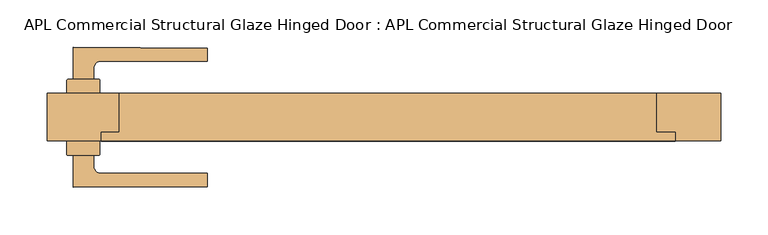
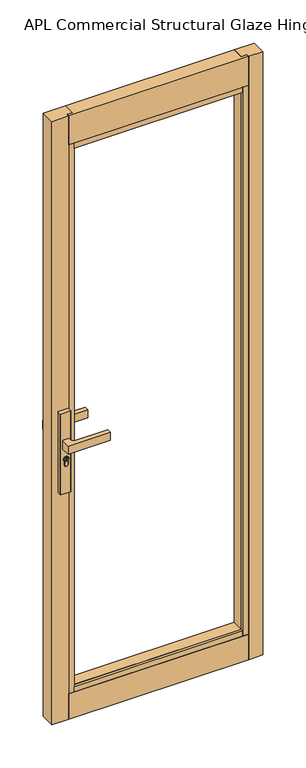
"""IFC4 building model written with IfcOpenShell, lengths in millimetres: door geometry, APL Commercial Structural Glaze Hinged Door : APL Commercial Structural Glaze Hinged Door."""

from ifc_helpers import new_model, si_unit, point, frame, frame_2d, origin, origin_with_axes, place, context, project, spatial, polyline, circle_curve, trimmed, segment, composite_curve, outline, extrude, faceted_brep, source, transform, mapped, element, save


def apl_commercial_structural_glaze_hinged_door_apl_commercial_916ca736(model_context):
    return source(origin(), model_context, "Body", "SolidModel", [
        extrude(outline(composite_curve([segment(trimmed(circle_curve(frame_2d((945.687184, -321.6515401)), 5.9005564), [point((945.687184, -315.7509837))], [point((945.687184, -327.5520965))], False, "CARTESIAN"), True, "CONTINUOUS"), segment(trimmed(circle_curve(frame_2d((945.687184, -321.6515401)), 5.9005564), [point((945.687184, -327.5520965))], [point((945.687184, -315.7509837))], False, "CARTESIAN"), True, "CONTINUOUS")], self_intersect=False), holes=[polyline([(949.7292167, -322.7156114), (949.7292167, -320.667672), (948.9292167, -320.667672), (948.3483344, -321.7156114), (947.1634303, -321.7156114), (946.3431864, -320.8953676), (944.6002002, -320.8953676), (944.0258593, -321.7156114), (941.7685105, -321.7156114), (941.7685105, -322.7156114), (944.5464263, -322.7156114), (945.1207673, -321.8953676), (945.9289729, -321.8953676), (946.7492167, -322.7156114), (949.7292167, -322.7156114)])]), frame((0.0, 51.3500753, 0.0), z_axis=(0.0, 1.0, 0.0), x_axis=(0.0, 0.0, 1.0)), (0.0, 0.0, 1.0), 4.423715),
        extrude(outline(composite_curve([segment(trimmed(circle_curve(frame_2d((-338.3000588, 50.1000748)), 1.0), [point((-339.3000588, 50.1000748))], [point((-338.3000588, 51.1000748))], False, "CARTESIAN"), True, "CONTINUOUS"), segment(polyline([(-338.3000588, 51.1000748), (-305.300059, 51.1000748)]), True, "CONTINUOUS"), segment(trimmed(circle_curve(frame_2d((-305.300059, 50.1000748)), 1.0), [point((-305.300059, 51.1000748))], [point((-304.300059, 50.1000748))], False, "CARTESIAN"), True, "CONTINUOUS"), segment(polyline([(-304.300059, 50.1000748), (-304.300059, 36.1000751), (-339.3000588, 36.1000751), (-339.3000588, 50.1000748)]), True, "CONTINUOUS")], self_intersect=False)), frame((0.0, 0.0, 822.4734334), z_axis=(0.0, 0.0, 1.0), x_axis=(1.0, 0.0, 0.0)), (0.0, 0.0, 1.0), 287.6450734),
        extrude(outline(composite_curve([segment(polyline([(-339.3000588, -27.8999345), (-339.3000588, -13.8999349), (-304.300059, -13.8999349), (-304.300059, -27.8999345)]), True, "CONTINUOUS"), segment(trimmed(circle_curve(frame_2d((-305.300059, -27.8999345)), 1.0), [point((-304.300059, -27.8999345))], [point((-305.300059, -28.8999345))], False, "CARTESIAN"), True, "CONTINUOUS"), segment(polyline([(-305.300059, -28.8999345), (-338.3000588, -28.8999345)]), True, "CONTINUOUS"), segment(trimmed(circle_curve(frame_2d((-338.3000588, -27.8999345)), 1.0), [point((-338.3000588, -28.8999345))], [point((-339.3000588, -27.8999345))], False, "CARTESIAN"), True, "CONTINUOUS")], self_intersect=False)), frame((0.0, 0.0, 822.4734334), z_axis=(0.0, 0.0, 1.0), x_axis=(1.0, 0.0, 0.0)), (0.0, 0.0, 1.0), 287.6450734),
        extrude(outline(composite_curve([segment(trimmed(circle_curve(frame_2d((945.687184, -321.6515401)), 8.4005564), [point((939.648662, -315.8115401))], [point((939.2521745, -327.0515401))], False, "CARTESIAN"), True, "CONTINUOUS"), segment(polyline([(939.2521745, -327.0515401), (926.2077404, -327.0515401)]), True, "CONTINUOUS"), segment(trimmed(circle_curve(frame_2d((926.2077404, -321.4315401)), 5.62), [point((926.2077404, -327.0515401))], [point((926.2077404, -315.8115401))], False, "CARTESIAN"), True, "CONTINUOUS"), segment(polyline([(926.2077404, -315.8115401), (939.648662, -315.8115401)]), True, "CONTINUOUS")], self_intersect=False), holes=[composite_curve([segment(trimmed(circle_curve(frame_2d((945.687184, -321.6515401)), 6.4005564), [point((945.687184, -315.2509837))], [point((945.687184, -328.0520965))], True, "CARTESIAN"), True, "CONTINUOUS"), segment(trimmed(circle_curve(frame_2d((945.687184, -321.6515401)), 6.4005564), [point((945.687184, -328.0520965))], [point((945.687184, -315.2509837))], True, "CARTESIAN"), True, "CONTINUOUS")], self_intersect=False)]), frame((0.0, 51.3500753, 0.0), z_axis=(0.0, 1.0, 0.0), x_axis=(0.0, 0.0, 1.0)), (0.0, 0.0, 1.0), 3.0593403),
        extrude(outline(composite_curve([segment(trimmed(circle_curve(frame_2d((945.687184, -321.6515401)), 6.4005564), [point((945.687184, -328.0520965))], [point((945.687184, -315.2509837))], False, "CARTESIAN"), True, "CONTINUOUS"), segment(trimmed(circle_curve(frame_2d((945.687184, -321.6515401)), 6.4005564), [point((945.687184, -315.2509837))], [point((945.687184, -328.0520965))], False, "CARTESIAN"), True, "CONTINUOUS")], self_intersect=False), holes=[composite_curve([segment(trimmed(circle_curve(frame_2d((945.687184, -321.6515401)), 5.9005564), [point((945.687184, -327.5520965))], [point((945.687184, -315.7509837))], True, "CARTESIAN"), True, "CONTINUOUS"), segment(trimmed(circle_curve(frame_2d((945.687184, -321.6515401)), 5.9005564), [point((945.687184, -315.7509837))], [point((945.687184, -327.5520965))], True, "CARTESIAN"), True, "CONTINUOUS")], self_intersect=False)]), frame((0.0, 51.3500753, 0.0), z_axis=(0.0, 1.0, 0.0), x_axis=(0.0, 0.0, 1.0)), (0.0, 0.0, 1.0), 3.0593403),
        extrude(outline(composite_curve([segment(polyline([(939.1595834, -327.2515401), (926.2077404, -327.2515401)]), True, "CONTINUOUS"), segment(trimmed(circle_curve(frame_2d((926.2077404, -321.4315401)), 5.82), [point((926.2077404, -327.2515401))], [point((926.2077404, -315.6115401))], False, "CARTESIAN"), True, "CONTINUOUS"), segment(polyline([(926.2077404, -315.6115401), (939.564442, -315.6115401)]), True, "CONTINUOUS"), segment(trimmed(circle_curve(frame_2d((945.687184, -321.6515401)), 8.6005564), [point((939.564442, -315.6115401))], [point((939.1595834, -327.2515401))], False, "CARTESIAN"), True, "CONTINUOUS")], self_intersect=False), holes=[composite_curve([segment(polyline([(926.2077404, -327.0515401), (939.2521745, -327.0515401)]), True, "CONTINUOUS"), segment(trimmed(circle_curve(frame_2d((945.687184, -321.6515401)), 8.4005564), [point((939.2521745, -327.0515401))], [point((939.648662, -315.8115401))], True, "CARTESIAN"), True, "CONTINUOUS"), segment(polyline([(939.648662, -315.8115401), (926.2077404, -315.8115401)]), True, "CONTINUOUS"), segment(trimmed(circle_curve(frame_2d((926.2077404, -321.4315401)), 5.62), [point((926.2077404, -315.8115401))], [point((926.2077404, -327.0515401))], True, "CARTESIAN"), True, "CONTINUOUS")], self_intersect=False)]), frame((0.0, 51.3500753, 0.0), z_axis=(0.0, 1.0, 0.0), x_axis=(0.0, 0.0, 1.0)), (0.0, 0.0, 1.0), 3.0593403),
        extrude(outline(composite_curve([segment(trimmed(circle_curve(frame_2d((-265.8000586, -851.6499249)), 939.0), [point((-332.8000589, 84.9567161))], [point((-190.8000536, 84.3500747))], False, "CARTESIAN"), True, "CONTINUOUS"), segment(polyline([(-190.8000536, 84.3500747), (-190.8000536, 70.3500738), (-303.2955242, 70.3500738)]), True, "CONTINUOUS"), segment(trimmed(circle_curve(frame_2d((-303.3000589, 62.8500751)), 7.5), [point((-303.2955242, 70.3500738))], [point((-310.8000589, 62.8500751))], True, "CARTESIAN"), True, "CONTINUOUS"), segment(polyline([(-310.8000589, 62.8500751), (-310.8000589, 51.3500753), (-332.8000589, 51.3500753), (-332.8000589, 84.9567161)]), True, "CONTINUOUS")], self_intersect=False)), frame((0.0, 0.0, 985.1796291), z_axis=(0.0, 0.0, 1.0), x_axis=(1.0, 0.0, 0.0)), (0.0, 0.0, 1.0), 29.6407418),
        extrude(outline(composite_curve([segment(trimmed(circle_curve(frame_2d((945.687184, -321.6515401)), 5.9005564), [point((945.687184, -315.7509837))], [point((945.687184, -327.5520965))], False, "CARTESIAN"), True, "CONTINUOUS"), segment(trimmed(circle_curve(frame_2d((945.687184, -321.6515401)), 5.9005564), [point((945.687184, -327.5520965))], [point((945.687184, -315.7509837))], False, "CARTESIAN"), True, "CONTINUOUS")], self_intersect=False), holes=[polyline([(949.7292167, -322.7156114), (949.7292167, -320.667672), (948.9292167, -320.667672), (948.3483344, -321.7156114), (947.1634303, -321.7156114), (946.3431864, -320.8953676), (944.6002002, -320.8953676), (944.0258593, -321.7156114), (941.7685105, -321.7156114), (941.7685105, -322.7156114), (944.5464263, -322.7156114), (945.1207673, -321.8953676), (945.9289729, -321.8953676), (946.7492167, -322.7156114), (949.7292167, -322.7156114)])]), frame((0.0, -33.57365, 0.0), z_axis=(0.0, 1.0, 0.0), x_axis=(0.0, 0.0, 1.0)), (0.0, 0.0, 1.0), 4.423715),
        extrude(outline(composite_curve([segment(trimmed(circle_curve(frame_2d((945.687184, -321.6515401)), 8.4005564), [point((939.648662, -315.8115401))], [point((939.2521745, -327.0515401))], False, "CARTESIAN"), True, "CONTINUOUS"), segment(polyline([(939.2521745, -327.0515401), (926.2077404, -327.0515401)]), True, "CONTINUOUS"), segment(trimmed(circle_curve(frame_2d((926.2077404, -321.4315401)), 5.62), [point((926.2077404, -327.0515401))], [point((926.2077404, -315.8115401))], False, "CARTESIAN"), True, "CONTINUOUS"), segment(polyline([(926.2077404, -315.8115401), (939.648662, -315.8115401)]), True, "CONTINUOUS")], self_intersect=False), holes=[composite_curve([segment(trimmed(circle_curve(frame_2d((945.687184, -321.6515401)), 6.4005564), [point((945.687184, -315.2509837))], [point((945.687184, -328.0520965))], True, "CARTESIAN"), True, "CONTINUOUS"), segment(trimmed(circle_curve(frame_2d((945.687184, -321.6515401)), 6.4005564), [point((945.687184, -328.0520965))], [point((945.687184, -315.2509837))], True, "CARTESIAN"), True, "CONTINUOUS")], self_intersect=False)]), frame((0.0, -32.2092753, 0.0), z_axis=(0.0, 1.0, 0.0), x_axis=(0.0, 0.0, 1.0)), (0.0, 0.0, 1.0), 3.0593403),
        extrude(outline(composite_curve([segment(trimmed(circle_curve(frame_2d((945.687184, -321.6515401)), 6.4005564), [point((945.687184, -328.0520965))], [point((945.687184, -315.2509837))], False, "CARTESIAN"), True, "CONTINUOUS"), segment(trimmed(circle_curve(frame_2d((945.687184, -321.6515401)), 6.4005564), [point((945.687184, -315.2509837))], [point((945.687184, -328.0520965))], False, "CARTESIAN"), True, "CONTINUOUS")], self_intersect=False), holes=[composite_curve([segment(trimmed(circle_curve(frame_2d((945.687184, -321.6515401)), 5.9005564), [point((945.687184, -327.5520965))], [point((945.687184, -315.7509837))], True, "CARTESIAN"), True, "CONTINUOUS"), segment(trimmed(circle_curve(frame_2d((945.687184, -321.6515401)), 5.9005564), [point((945.687184, -315.7509837))], [point((945.687184, -327.5520965))], True, "CARTESIAN"), True, "CONTINUOUS")], self_intersect=False)]), frame((0.0, -32.2092753, 0.0), z_axis=(0.0, 1.0, 0.0), x_axis=(0.0, 0.0, 1.0)), (0.0, 0.0, 1.0), 3.0593403),
        extrude(outline(composite_curve([segment(polyline([(939.1595834, -327.2515401), (926.2077404, -327.2515401)]), True, "CONTINUOUS"), segment(trimmed(circle_curve(frame_2d((926.2077404, -321.4315401)), 5.82), [point((926.2077404, -327.2515401))], [point((926.2077404, -315.6115401))], False, "CARTESIAN"), True, "CONTINUOUS"), segment(polyline([(926.2077404, -315.6115401), (939.564442, -315.6115401)]), True, "CONTINUOUS"), segment(trimmed(circle_curve(frame_2d((945.687184, -321.6515401)), 8.6005564), [point((939.564442, -315.6115401))], [point((939.1595834, -327.2515401))], False, "CARTESIAN"), True, "CONTINUOUS")], self_intersect=False), holes=[composite_curve([segment(polyline([(926.2077404, -327.0515401), (939.2521745, -327.0515401)]), True, "CONTINUOUS"), segment(trimmed(circle_curve(frame_2d((945.687184, -321.6515401)), 8.4005564), [point((939.2521745, -327.0515401))], [point((939.648662, -315.8115401))], True, "CARTESIAN"), True, "CONTINUOUS"), segment(polyline([(939.648662, -315.8115401), (926.2077404, -315.8115401)]), True, "CONTINUOUS"), segment(trimmed(circle_curve(frame_2d((926.2077404, -321.4315401)), 5.62), [point((926.2077404, -315.8115401))], [point((926.2077404, -327.0515401))], True, "CARTESIAN"), True, "CONTINUOUS")], self_intersect=False)]), frame((0.0, -32.2092753, 0.0), z_axis=(0.0, 1.0, 0.0), x_axis=(0.0, 0.0, 1.0)), (0.0, 0.0, 1.0), 3.0593403),
        extrude(outline(composite_curve([segment(polyline([(-332.8000589, -62.7565759), (-332.8000589, -29.149935), (-310.8000589, -29.149935), (-310.8000589, -40.6499349)]), True, "CONTINUOUS"), segment(trimmed(circle_curve(frame_2d((-303.3000589, -40.6499349)), 7.5), [point((-310.8000589, -40.6499349))], [point((-303.2955242, -48.1499335))], True, "CARTESIAN"), True, "CONTINUOUS"), segment(polyline([(-303.2955242, -48.1499335), (-190.8000536, -48.1499335), (-190.8000536, -62.1499345)]), True, "CONTINUOUS"), segment(trimmed(circle_curve(frame_2d((-265.8000586, 873.8500651)), 939.0), [point((-190.8000536, -62.1499345))], [point((-332.8000589, -62.7565759))], False, "CARTESIAN"), True, "CONTINUOUS")], self_intersect=False)), frame((0.0, 0.0, 985.1796291), z_axis=(0.0, 0.0, 1.0), x_axis=(1.0, 0.0, 0.0)), (0.0, 0.0, 1.0), 29.6407418),
        faceted_brep([(-303.000024, -4.8994771, 2051.0028904), (-303.000024, -13.8999674, 2051.0028904), (-303.000024, -13.8999674, 2153.0501013), (-303.000024, -4.8994771, 2153.0501013), (304.0000844, -4.8994771, 2051.0028904), (304.0000844, -4.8994771, 2153.0501013), (304.0000844, -13.8999674, 2153.0501013), (304.0000844, -13.8999674, 2051.0028904), (-284.000022, -4.8994771, 2153.0501013), (-284.000022, -4.8994771, 2051.0028904), (283.966122, -4.8994771, 2051.0028904), (283.966122, -4.8994771, 2153.0501013), (283.966122, 36.1000651, 2153.0501013), (-284.000022, 36.1000651, 2153.0501013), (-284.000022, 36.1000651, 2032.0000368), (-284.000022, -4.8994771, 2032.0000368), (283.966122, 36.1000651, 2032.0000368), (283.966122, -4.8994771, 2032.0000368)], [[[0, 1, 2, 3]], [[4, 5, 6, 7]], [[3, 8, 9, 0]], [[4, 10, 11, 5]], [[0, 9, 10, 4, 7, 1]], [[1, 7, 6, 2]], [[2, 6, 5, 11, 12, 13, 8, 3]], [[14, 15, 9, 8, 13]], [[16, 12, 11, 10, 17]], [[13, 12, 16, 14]], [[14, 16, 17, 15]], [[17, 10, 9, 15]]]),
        faceted_brep([(-303.000024, -13.8999349, 90.9821405), (-303.000024, -4.8994771, 90.9821405), (-303.000024, -4.8994771, 0.0), (-303.000024, -13.8999349, 0.0), (304.0000844, -13.8999349, 90.9821405), (304.0000844, -13.8999349, 0.0), (304.0000844, -4.8994771, 0.0), (304.0000844, -4.8994771, 90.9821405), (283.966122, -4.8994771, 90.9821405), (-284.000022, -4.8994771, 90.9821405), (-284.000022, -4.8994771, 0.0), (-284.000022, 36.1000651, 0.0), (283.966122, 36.1000651, 0.0), (283.966122, -4.8994771, 0.0), (-284.000022, 36.1000651, 109.9821405), (-284.000022, -4.8994771, 109.9821405), (283.966122, 36.1000651, 109.9821405), (283.966122, -4.8994771, 109.9821405)], [[[0, 1, 2, 3]], [[4, 5, 6, 7]], [[0, 4, 7, 8, 9, 1]], [[3, 5, 4, 0]], [[2, 10, 11, 12, 13, 6, 5, 3]], [[1, 9, 10, 2]], [[6, 13, 8, 7]], [[14, 11, 10, 9, 15]], [[16, 17, 8, 13, 12]], [[14, 16, 12, 11]], [[15, 17, 16, 14]], [[15, 9, 8, 17]]]),
        extrude(outline(polyline([(283.966122, -4.8994771), (304.0000844, -4.8994771), (304.0000844, -13.8999674), (283.966122, -13.8999674), (283.966122, -4.8994771)])), frame((0.0, 0.0, 90.9821405), z_axis=(0.0, 0.0, 1.0), x_axis=(1.0, 0.0, 0.0)), (0.0, 0.0, 1.0), 1960.02075),
        extrude(outline(polyline([(-284.000022, 36.1000651), (-284.000022, -4.8994771), (-303.000024, -4.8994771), (-303.000024, -13.8999349), (-360.0000539, -13.8999349), (-360.0000539, 36.1000651), (-284.000022, 36.1000651)])), origin_with_axes(), (0.0, 0.0, 1.0), 2153.0501013),
        extrude(outline(polyline([(-284.000022, -4.8994771), (283.966122, -4.8994771), (283.966122, -13.8999674), (-284.000022, -13.8999674), (-284.000022, -4.8994771)])), frame((0.0, 0.0, 2032.0000368), z_axis=(0.0, 0.0, 1.0), x_axis=(1.0, 0.0, 0.0)), (0.0, 0.0, 1.0), 19.0028536),
        extrude(outline(polyline([(-284.000022, -4.8994771), (283.966122, -4.8994771), (283.966122, -13.8999674), (-284.000022, -13.8999674), (-284.000022, -4.8994771)])), frame((0.0, 0.0, 2032.0000368), z_axis=(0.0, 0.0, 1.0), x_axis=(1.0, 0.0, 0.0)), (0.0, 0.0, 1.0), 19.0028536),
        extrude(outline(polyline([(-284.000022, -4.8994771), (283.966122, -4.8994771), (283.966122, -13.8999349), (-284.000022, -13.8999349), (-284.000022, -4.8994771)])), frame((0.0, 0.0, 90.9821405), z_axis=(0.0, 0.0, 1.0), x_axis=(1.0, 0.0, 0.0)), (0.0, 0.0, 1.0), 19.0),
        extrude(outline(polyline([(283.966122, -4.8994771), (304.0000844, -4.8994771), (304.0000844, -13.8999674), (283.966122, -13.8999674), (283.966122, -4.8994771)])), frame((0.0, 0.0, 90.9821405), z_axis=(0.0, 0.0, 1.0), x_axis=(1.0, 0.0, 0.0)), (0.0, 0.0, 1.0), 1960.02075),
        extrude(outline(polyline([(-284.000022, -4.8994771), (-284.000022, -13.8999349), (-303.000024, -13.8999349), (-303.000024, -4.8994771), (-284.000022, -4.8994771)])), frame((0.0, 0.0, 90.9821405), z_axis=(0.0, 0.0, 1.0), x_axis=(1.0, 0.0, 0.0)), (0.0, 0.0, 1.0), 1960.02075),
        extrude(outline(polyline([(283.966122, 36.1000651), (352.0000241, 36.1000651), (352.0000241, -13.8999674), (304.0000844, -13.8999674), (304.0000844, -4.8994771), (283.966122, -4.8994771), (283.966122, 36.1000651)])), origin_with_axes(), (0.0, 0.0, 1.0), 2153.0501013),
    ])


if __name__ == "__main__":
    model = new_model("IFC4")
    model_context = context("Model", 3, world=origin())
    ifc_project = project(units=[si_unit("LENGTHUNIT", "METRE", prefix="MILLI")], contexts=[model_context])
    site = spatial("IfcSite", under=ifc_project)
    building = spatial("IfcBuilding", under=site)
    placement = place(None, origin())
    apl_commercial_structural_glaze_hinged_door_apl_commercial_shape = apl_commercial_structural_glaze_hinged_door_apl_commercial_916ca736(model_context)
    element("IfcDoor", 1, ObjectType="APL Commercial Structural Glaze Hinged Door : APL Commercial Structural Glaze Hinged Door", at=placement, inside=building, context=model_context, shape_type="MappedRepresentation", body=[
        mapped(apl_commercial_structural_glaze_hinged_door_apl_commercial_shape, transform((0.0, 0.0, 0.0), x_axis=(1.0, 0.0, 0.0), y_axis=(0.0, 1.0, 0.0), z_axis=(0.0, 0.0, 1.0))),
    ])
    save(model, "model.ifc")
